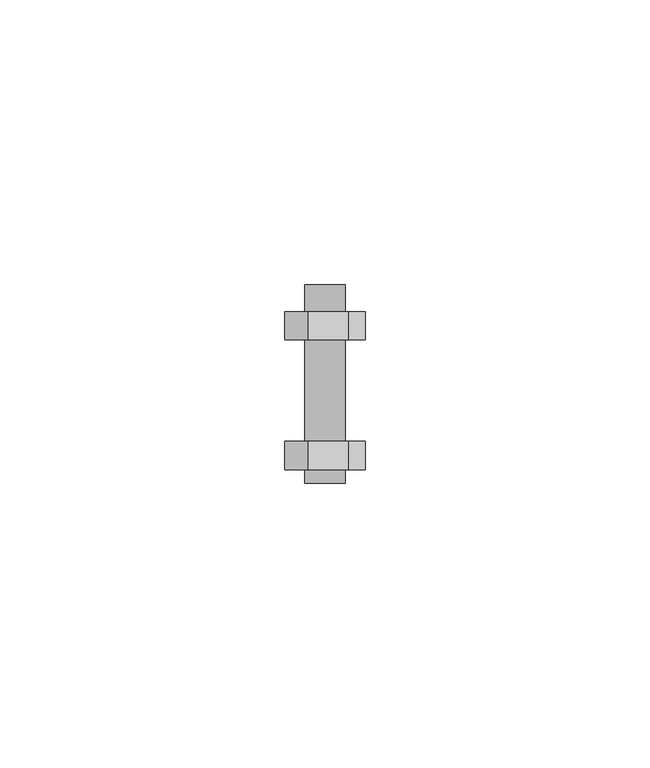
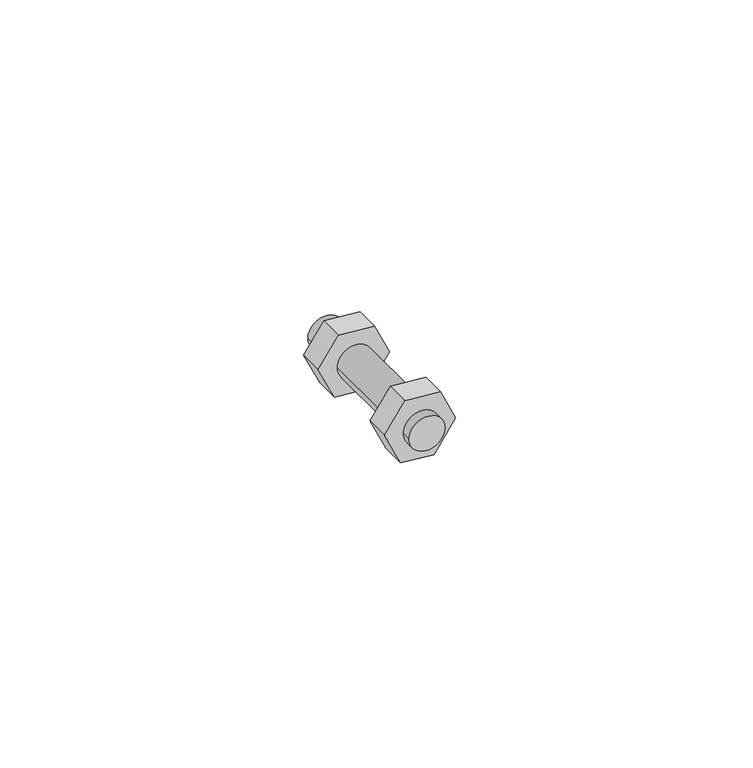
"""IFC4 building model written with IfcOpenShell, lengths in millimetres: fastener geometry."""

import ifcopenshell
import ifcopenshell.guid

model = None  # the IFC model being written
_history = None  # IfcOwnerHistory: only IFC2X3 demands one
_inside = {}  # id of a spatial element -> (the spatial element, [elements in it])
_under = {}  # id of a project, library or spatial element -> (it, [spatial elements below it])
_declared = {}  # id of a project -> (the project, [libraries it declares])
_typed = {}  # id of a type object -> (the type object, [elements of that type])
_made_of = {}  # id of a material, layer set ... -> (it, [elements and type objects made of it])


def new_model(schema):
    """Start an empty IFC model of exactly this schema.

    Asked for "IFC4X3", IfcOpenShell would pick the latest addendum, in which some entities
    have other attributes; the version numbers below select the first issue.
    IFC2X3 requires an IfcOwnerHistory on every rooted entity: one is made here for all.
    """
    global model, _history
    if schema == "IFC4X3":
        model = ifcopenshell.file(schema_version=(4, 3, 0, 0))
    else:
        model = ifcopenshell.file(schema=schema)
    _inside.clear()
    _under.clear()
    _declared.clear()
    _typed.clear()
    _made_of.clear()
    _history = None
    if model.schema == "IFC2X3":
        org = make("IfcOrganization", Name="unknown")
        user = make(
            "IfcPersonAndOrganization",
            ThePerson=make("IfcPerson", FamilyName="unknown"),
            TheOrganization=org,
        )
        app = make(
            "IfcApplication",
            ApplicationDeveloper=org,
            Version="unknown",
            ApplicationFullName="unknown",
            ApplicationIdentifier="unknown",
        )
        _history = make(
            "IfcOwnerHistory",
            OwningUser=user,
            OwningApplication=app,
            ChangeAction="ADDED",
            CreationDate=0,
        )
    return model


def make(cls, **values):
    """One entity of the class cls with the attributes given. An attribute that is None is left unset."""
    return model.create_entity(
        cls, **{name: value for name, value in values.items() if value is not None}
    )


def rooted(cls, **values):
    """An entity with a GlobalId (a new one), such as an element, a storey or a relation."""
    return make(cls, GlobalId=ifcopenshell.guid.new(), OwnerHistory=_history, **values)


def si_unit(unit_type, name, prefix=None):
    """IfcSIUnit, for example si_unit("LENGTHUNIT", "METRE", prefix="MILLI")."""
    return make("IfcSIUnit", UnitType=unit_type, Prefix=prefix, Name=name)


def assignment(units):
    """IfcUnitAssignment: the units of a project."""
    return None if units is None else make("IfcUnitAssignment", Units=units)


def point(xyz):
    """IfcCartesianPoint."""
    return None if xyz is None else make("IfcCartesianPoint", Coordinates=xyz)


def direction(xyz):
    """IfcDirection."""
    return None if xyz is None else make("IfcDirection", DirectionRatios=xyz)


def frame(location, z_axis=None, x_axis=None):
    """IfcAxis2Placement3D, a coordinate frame: its origin and axes. An axis left out is left unset."""
    return make(
        "IfcAxis2Placement3D",
        Location=point(location),
        Axis=direction(z_axis),
        RefDirection=direction(x_axis),
    )


def frame_2d(location, x_axis=None):
    """IfcAxis2Placement2D, a coordinate frame in the plane: its origin and x axis."""
    return make(
        "IfcAxis2Placement2D", Location=point(location), RefDirection=direction(x_axis)
    )


def origin():
    """The frame at (0, 0, 0) with its axes left unset."""
    return frame((0.0, 0.0, 0.0))


def place(relative_to, where):
    """IfcLocalPlacement: puts the frame where relative to a parent placement (None: the world)."""
    return make(
        "IfcLocalPlacement", PlacementRelTo=relative_to, RelativePlacement=where
    )


def context(
    kind, dimensions, precision=None, world=None, true_north=None, identifier=None
):
    """IfcGeometricRepresentationContext, for example the 3D "Model" context."""
    return make(
        "IfcGeometricRepresentationContext",
        ContextIdentifier=identifier,
        ContextType=kind,
        CoordinateSpaceDimension=dimensions,
        Precision=precision,
        WorldCoordinateSystem=world,
        TrueNorth=true_north,
    )


def project(units=None, contexts=None):
    """IfcProject with its units and contexts."""
    return rooted(
        "IfcProject",
        Name="project",
        RepresentationContexts=contexts,
        UnitsInContext=assignment(units),
    )


def spatial(cls, under=None, at=None, **own):
    """A site, building, storey or space (cls), placed at a placement, below another one or the project."""
    s = rooted(cls, ObjectPlacement=at, **own)
    if under is not None:
        _under.setdefault(under.id(), (under, []))[1].append(s)
    return s


def polyline(points):
    """IfcPolyline through the points."""
    return make("IfcPolyline", Points=[point(p) for p in points])


def circle_curve(where, radius):
    """IfcCircle in the frame where."""
    return make("IfcCircle", Position=where, Radius=radius)


def trimmed(basis, trim1, trim2, sense, master):
    """IfcTrimmedCurve: the piece of a basis curve between two trims."""
    return make(
        "IfcTrimmedCurve",
        BasisCurve=basis,
        Trim1=trim1,
        Trim2=trim2,
        SenseAgreement=sense,
        MasterRepresentation=master,
    )


def segment(curve, same_sense, transition):
    """IfcCompositeCurveSegment."""
    return make(
        "IfcCompositeCurveSegment",
        Transition=transition,
        SameSense=same_sense,
        ParentCurve=curve,
    )


def composite_curve(segments, self_intersect=None):
    """IfcCompositeCurve: segments joined end to end."""
    return make("IfcCompositeCurve", Segments=segments, SelfIntersect=self_intersect)


def outline(outer, holes=None, kind="AREA"):
    """IfcArbitraryClosedProfileDef: a profile drawn as a closed curve; with holes, ...WithVoids."""
    if holes is None:
        return make("IfcArbitraryClosedProfileDef", ProfileType=kind, OuterCurve=outer)
    return make(
        "IfcArbitraryProfileDefWithVoids",
        ProfileType=kind,
        OuterCurve=outer,
        InnerCurves=holes,
    )


def extrude(swept, where, along, depth):
    """IfcExtrudedAreaSolid: the profile swept, set in the frame where, extruded along a direction by depth."""
    return make(
        "IfcExtrudedAreaSolid",
        SweptArea=swept,
        Position=where,
        ExtrudedDirection=direction(along),
        Depth=depth,
    )


def shape(context_of_items, identifier, shape_type, items):
    """IfcShapeRepresentation: the items that make up one representation, for example the "Body"."""
    return make(
        "IfcShapeRepresentation",
        ContextOfItems=context_of_items,
        RepresentationIdentifier=identifier,
        RepresentationType=shape_type,
        Items=items,
    )


def source(mapping_origin, context_of_items, identifier, shape_type, items):
    """IfcRepresentationMap: a shape defined once, which mapped items show again and again."""
    return make(
        "IfcRepresentationMap",
        MappingOrigin=mapping_origin,
        MappedRepresentation=shape(context_of_items, identifier, shape_type, items),
    )


def transform(
    local_origin,
    x_axis=None,
    y_axis=None,
    z_axis=None,
    scale=None,
    scale2=None,
    scale3=None,
    uniform=True,
):
    """IfcCartesianTransformationOperator3D, or its non-uniform kind. x_axis, y_axis, z_axis: its Axis1, 2, 3."""
    if uniform:
        return make(
            "IfcCartesianTransformationOperator3D",
            Axis1=direction(x_axis),
            Axis2=direction(y_axis),
            LocalOrigin=point(local_origin),
            Scale=scale,
            Axis3=direction(z_axis),
        )
    return make(
        "IfcCartesianTransformationOperator3DnonUniform",
        Axis1=direction(x_axis),
        Axis2=direction(y_axis),
        LocalOrigin=point(local_origin),
        Scale=scale,
        Axis3=direction(z_axis),
        Scale2=scale2,
        Scale3=scale3,
    )


def mapped(mapping_source, mapping_target):
    """IfcMappedItem: shows the shape of a source again, moved by a transform."""
    return make(
        "IfcMappedItem", MappingSource=mapping_source, MappingTarget=mapping_target
    )


def made_of(thing, what):
    """Note that an element or type object is made of a material, layer set ...; save() writes the relation."""
    if what is not None:
        _made_of.setdefault(what.id(), (what, []))[1].append(thing)
    return thing


def element(
    cls,
    number,
    at=None,
    inside=None,
    cuts=None,
    type_object=None,
    material=None,
    context=None,
    identifier="Body",
    shape_type=None,
    held_by="IfcProductDefinitionShape",
    body=None,
    shapes=None,
    **own,
):
    """One element of the class cls, such as IfcWall. Its Tag is "e" and its number.

    at: its placement. inside: the storey or other place that contains it. cuts: it is an
    opening in that element (IfcRelVoidsElement). A single representation is given by context,
    identifier, shape_type and body (its items); several are given by shapes. held_by: the class
    of the entity that holds the representations. save() writes the other relations.
    """
    e = rooted(cls, Tag="e%d" % number, ObjectPlacement=at, **own)
    if body is not None:
        shapes = [shape(context, identifier, shape_type, body)]
    if shapes is not None:
        e.Representation = make(held_by, Representations=shapes)
    if inside is not None:
        _inside.setdefault(inside.id(), (inside, []))[1].append(e)
    if cuts is not None:
        rooted(
            "IfcRelVoidsElement", RelatingBuildingElement=cuts, RelatedOpeningElement=e
        )
    if type_object is not None:
        _typed.setdefault(type_object.id(), (type_object, []))[1].append(e)
    return made_of(e, material)


def aggregate(whole, parts):
    """IfcRelAggregates: a whole, such as a stair, and the parts it consists of."""
    return rooted("IfcRelAggregates", RelatingObject=whole, RelatedObjects=parts)


def save(model, path):
    """Write the relations noted so far, then the file.

    IfcRelAggregates (storeys below a building ...), IfcRelContainedInSpatialStructure (elements
    in a storey), IfcRelDefinesByType, IfcRelAssociatesMaterial and IfcRelDeclares: one each for
    every whole, place, type object, material and project.
    """
    for whole, parts in _under.values():
        aggregate(whole, parts)
    for where, things in _inside.values():
        rooted(
            "IfcRelContainedInSpatialStructure",
            RelatedElements=things,
            RelatingStructure=where,
        )
    for kind, things in _typed.values():
        rooted("IfcRelDefinesByType", RelatedObjects=things, RelatingType=kind)
    for what, things in _made_of.values():
        rooted("IfcRelAssociatesMaterial", RelatedObjects=things, RelatingMaterial=what)
    for by, libraries in _declared.values():
        rooted("IfcRelDeclares", RelatingContext=by, RelatedDefinitions=libraries)
    model.write(path)


def fastener_59f8d522(model_context):
    return source(origin(), model_context, "Body", "SweptSolid", [
        extrude(outline(polyline([(50.2132267, -4122.6763714), (49.6334598, -4116.0496056), (55.8779191, -4111.6771881), (62.3467617, -4114.693659), (62.9688426, -4121.8040764), (57.1220809, -4125.898023), (50.2132267, -4122.6763714)])), frame((0.0, 526.4359666, 0.0), z_axis=(0.0, 1.0, 0.0), x_axis=(0.0, 0.0, 1.0)), (0.0, 0.0, 1.0), 4.994876),
        extrude(outline(polyline([(50.2132267, -4122.6763714), (49.6334598, -4116.0496056), (55.8779191, -4111.6771881), (62.3467617, -4114.693659), (62.9688426, -4121.8040764), (57.1220809, -4125.898023), (50.2132267, -4122.6763714)])), frame((0.0, 503.6308426, 0.0), z_axis=(0.0, 1.0, 0.0), x_axis=(0.0, 0.0, 1.0)), (0.0, 0.0, 1.0), 5.0),
        extrude(outline(composite_curve([segment(trimmed(circle_curve(frame_2d((56.5, -4118.7876056)), 3.5454618), [point((56.5, -4115.2421438))], [point((56.5, -4122.3330674))], False, "CARTESIAN"), True, "CONTINUOUS"), segment(trimmed(circle_curve(frame_2d((56.5, -4118.7876056)), 3.5454618), [point((56.5, -4122.3330674))], [point((56.5, -4115.2421438))], False, "CARTESIAN"), True, "CONTINUOUS")], self_intersect=False)), frame((0.0, 501.2176259, 0.0), z_axis=(0.0, 1.0, 0.0), x_axis=(0.0, 0.0, 1.0)), (0.0, 0.0, 1.0), 34.9635271),
    ])


if __name__ == "__main__":
    model = new_model("IFC4")
    model_context = context("Model", 3, world=origin())
    ifc_project = project(units=[si_unit("LENGTHUNIT", "METRE", prefix="MILLI")], contexts=[model_context])
    site = spatial("IfcSite", under=ifc_project)
    building = spatial("IfcBuilding", under=site)
    placement = place(None, origin())
    fastener_shape = fastener_59f8d522(model_context)
    element("IfcFastener", 1, at=placement, inside=building, context=model_context, shape_type="MappedRepresentation", body=[
        mapped(fastener_shape, transform((0.0, 0.0, 0.0), x_axis=(1.0, 0.0, 0.0), y_axis=(0.0, 1.0, 0.0), z_axis=(0.0, 0.0, 1.0))),
    ])
    save(model, "model.ifc")
